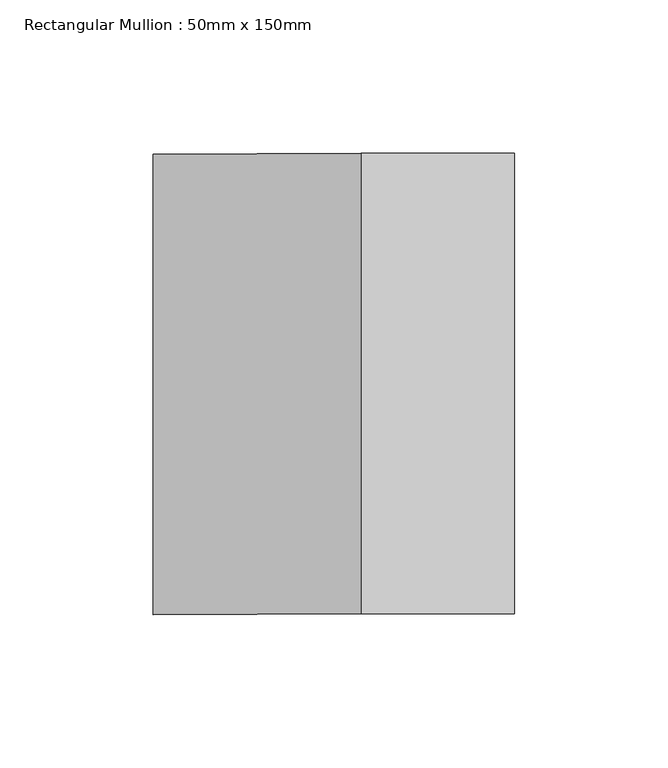
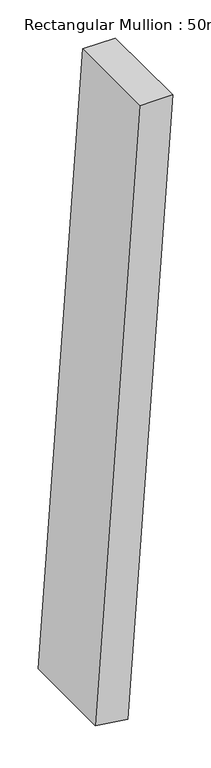
"""IFC4 building model written with IfcOpenShell, lengths in millimetres: member geometry, Rectangular Mullion : 50mm x 150mm."""

import ifcopenshell
import ifcopenshell.guid

model = None  # the IFC model being written
_history = None  # IfcOwnerHistory: only IFC2X3 demands one
_inside = {}  # id of a spatial element -> (the spatial element, [elements in it])
_under = {}  # id of a project, library or spatial element -> (it, [spatial elements below it])
_declared = {}  # id of a project -> (the project, [libraries it declares])
_typed = {}  # id of a type object -> (the type object, [elements of that type])
_made_of = {}  # id of a material, layer set ... -> (it, [elements and type objects made of it])


def new_model(schema):
    """Start an empty IFC model of exactly this schema.

    Asked for "IFC4X3", IfcOpenShell would pick the latest addendum, in which some entities
    have other attributes; the version numbers below select the first issue.
    IFC2X3 requires an IfcOwnerHistory on every rooted entity: one is made here for all.
    """
    global model, _history
    if schema == "IFC4X3":
        model = ifcopenshell.file(schema_version=(4, 3, 0, 0))
    else:
        model = ifcopenshell.file(schema=schema)
    _inside.clear()
    _under.clear()
    _declared.clear()
    _typed.clear()
    _made_of.clear()
    _history = None
    if model.schema == "IFC2X3":
        org = make("IfcOrganization", Name="unknown")
        user = make(
            "IfcPersonAndOrganization",
            ThePerson=make("IfcPerson", FamilyName="unknown"),
            TheOrganization=org,
        )
        app = make(
            "IfcApplication",
            ApplicationDeveloper=org,
            Version="unknown",
            ApplicationFullName="unknown",
            ApplicationIdentifier="unknown",
        )
        _history = make(
            "IfcOwnerHistory",
            OwningUser=user,
            OwningApplication=app,
            ChangeAction="ADDED",
            CreationDate=0,
        )
    return model


def make(cls, **values):
    """One entity of the class cls with the attributes given. An attribute that is None is left unset."""
    return model.create_entity(
        cls, **{name: value for name, value in values.items() if value is not None}
    )


def rooted(cls, **values):
    """An entity with a GlobalId (a new one), such as an element, a storey or a relation."""
    return make(cls, GlobalId=ifcopenshell.guid.new(), OwnerHistory=_history, **values)


def si_unit(unit_type, name, prefix=None):
    """IfcSIUnit, for example si_unit("LENGTHUNIT", "METRE", prefix="MILLI")."""
    return make("IfcSIUnit", UnitType=unit_type, Prefix=prefix, Name=name)


def assignment(units):
    """IfcUnitAssignment: the units of a project."""
    return None if units is None else make("IfcUnitAssignment", Units=units)


def point(xyz):
    """IfcCartesianPoint."""
    return None if xyz is None else make("IfcCartesianPoint", Coordinates=xyz)


def direction(xyz):
    """IfcDirection."""
    return None if xyz is None else make("IfcDirection", DirectionRatios=xyz)


def frame(location, z_axis=None, x_axis=None):
    """IfcAxis2Placement3D, a coordinate frame: its origin and axes. An axis left out is left unset."""
    return make(
        "IfcAxis2Placement3D",
        Location=point(location),
        Axis=direction(z_axis),
        RefDirection=direction(x_axis),
    )


def frame_2d(location, x_axis=None):
    """IfcAxis2Placement2D, a coordinate frame in the plane: its origin and x axis."""
    return make(
        "IfcAxis2Placement2D", Location=point(location), RefDirection=direction(x_axis)
    )


def origin():
    """The frame at (0, 0, 0) with its axes left unset."""
    return frame((0.0, 0.0, 0.0))


def place(relative_to, where):
    """IfcLocalPlacement: puts the frame where relative to a parent placement (None: the world)."""
    return make(
        "IfcLocalPlacement", PlacementRelTo=relative_to, RelativePlacement=where
    )


def context(
    kind, dimensions, precision=None, world=None, true_north=None, identifier=None
):
    """IfcGeometricRepresentationContext, for example the 3D "Model" context."""
    return make(
        "IfcGeometricRepresentationContext",
        ContextIdentifier=identifier,
        ContextType=kind,
        CoordinateSpaceDimension=dimensions,
        Precision=precision,
        WorldCoordinateSystem=world,
        TrueNorth=true_north,
    )


def project(units=None, contexts=None):
    """IfcProject with its units and contexts."""
    return rooted(
        "IfcProject",
        Name="project",
        RepresentationContexts=contexts,
        UnitsInContext=assignment(units),
    )


def spatial(cls, under=None, at=None, **own):
    """A site, building, storey or space (cls), placed at a placement, below another one or the project."""
    s = rooted(cls, ObjectPlacement=at, **own)
    if under is not None:
        _under.setdefault(under.id(), (under, []))[1].append(s)
    return s


def polyline(points):
    """IfcPolyline through the points."""
    return make("IfcPolyline", Points=[point(p) for p in points])


def circle_curve(where, radius):
    """IfcCircle in the frame where."""
    return make("IfcCircle", Position=where, Radius=radius)


def trimmed(basis, trim1, trim2, sense, master):
    """IfcTrimmedCurve: the piece of a basis curve between two trims."""
    return make(
        "IfcTrimmedCurve",
        BasisCurve=basis,
        Trim1=trim1,
        Trim2=trim2,
        SenseAgreement=sense,
        MasterRepresentation=master,
    )


def segment(curve, same_sense, transition):
    """IfcCompositeCurveSegment."""
    return make(
        "IfcCompositeCurveSegment",
        Transition=transition,
        SameSense=same_sense,
        ParentCurve=curve,
    )


def composite_curve(segments, self_intersect=None):
    """IfcCompositeCurve: segments joined end to end."""
    return make("IfcCompositeCurve", Segments=segments, SelfIntersect=self_intersect)


def outline(outer, holes=None, kind="AREA"):
    """IfcArbitraryClosedProfileDef: a profile drawn as a closed curve; with holes, ...WithVoids."""
    if holes is None:
        return make("IfcArbitraryClosedProfileDef", ProfileType=kind, OuterCurve=outer)
    return make(
        "IfcArbitraryProfileDefWithVoids",
        ProfileType=kind,
        OuterCurve=outer,
        InnerCurves=holes,
    )


def extrude(swept, where, along, depth):
    """IfcExtrudedAreaSolid: the profile swept, set in the frame where, extruded along a direction by depth."""
    return make(
        "IfcExtrudedAreaSolid",
        SweptArea=swept,
        Position=where,
        ExtrudedDirection=direction(along),
        Depth=depth,
    )


def shape(context_of_items, identifier, shape_type, items):
    """IfcShapeRepresentation: the items that make up one representation, for example the "Body"."""
    return make(
        "IfcShapeRepresentation",
        ContextOfItems=context_of_items,
        RepresentationIdentifier=identifier,
        RepresentationType=shape_type,
        Items=items,
    )


def source(mapping_origin, context_of_items, identifier, shape_type, items):
    """IfcRepresentationMap: a shape defined once, which mapped items show again and again."""
    return make(
        "IfcRepresentationMap",
        MappingOrigin=mapping_origin,
        MappedRepresentation=shape(context_of_items, identifier, shape_type, items),
    )


def transform(
    local_origin,
    x_axis=None,
    y_axis=None,
    z_axis=None,
    scale=None,
    scale2=None,
    scale3=None,
    uniform=True,
):
    """IfcCartesianTransformationOperator3D, or its non-uniform kind. x_axis, y_axis, z_axis: its Axis1, 2, 3."""
    if uniform:
        return make(
            "IfcCartesianTransformationOperator3D",
            Axis1=direction(x_axis),
            Axis2=direction(y_axis),
            LocalOrigin=point(local_origin),
            Scale=scale,
            Axis3=direction(z_axis),
        )
    return make(
        "IfcCartesianTransformationOperator3DnonUniform",
        Axis1=direction(x_axis),
        Axis2=direction(y_axis),
        LocalOrigin=point(local_origin),
        Scale=scale,
        Axis3=direction(z_axis),
        Scale2=scale2,
        Scale3=scale3,
    )


def mapped(mapping_source, mapping_target):
    """IfcMappedItem: shows the shape of a source again, moved by a transform."""
    return make(
        "IfcMappedItem", MappingSource=mapping_source, MappingTarget=mapping_target
    )


def made_of(thing, what):
    """Note that an element or type object is made of a material, layer set ...; save() writes the relation."""
    if what is not None:
        _made_of.setdefault(what.id(), (what, []))[1].append(thing)
    return thing


def element(
    cls,
    number,
    at=None,
    inside=None,
    cuts=None,
    type_object=None,
    material=None,
    context=None,
    identifier="Body",
    shape_type=None,
    held_by="IfcProductDefinitionShape",
    body=None,
    shapes=None,
    **own,
):
    """One element of the class cls, such as IfcWall. Its Tag is "e" and its number.

    at: its placement. inside: the storey or other place that contains it. cuts: it is an
    opening in that element (IfcRelVoidsElement). A single representation is given by context,
    identifier, shape_type and body (its items); several are given by shapes. held_by: the class
    of the entity that holds the representations. save() writes the other relations.
    """
    e = rooted(cls, Tag="e%d" % number, ObjectPlacement=at, **own)
    if body is not None:
        shapes = [shape(context, identifier, shape_type, body)]
    if shapes is not None:
        e.Representation = make(held_by, Representations=shapes)
    if inside is not None:
        _inside.setdefault(inside.id(), (inside, []))[1].append(e)
    if cuts is not None:
        rooted(
            "IfcRelVoidsElement", RelatingBuildingElement=cuts, RelatedOpeningElement=e
        )
    if type_object is not None:
        _typed.setdefault(type_object.id(), (type_object, []))[1].append(e)
    return made_of(e, material)


def aggregate(whole, parts):
    """IfcRelAggregates: a whole, such as a stair, and the parts it consists of."""
    return rooted("IfcRelAggregates", RelatingObject=whole, RelatedObjects=parts)


def save(model, path):
    """Write the relations noted so far, then the file.

    IfcRelAggregates (storeys below a building ...), IfcRelContainedInSpatialStructure (elements
    in a storey), IfcRelDefinesByType, IfcRelAssociatesMaterial and IfcRelDeclares: one each for
    every whole, place, type object, material and project.
    """
    for whole, parts in _under.values():
        aggregate(whole, parts)
    for where, things in _inside.values():
        rooted(
            "IfcRelContainedInSpatialStructure",
            RelatedElements=things,
            RelatingStructure=where,
        )
    for kind, things in _typed.values():
        rooted("IfcRelDefinesByType", RelatedObjects=things, RelatingType=kind)
    for what, things in _made_of.values():
        rooted("IfcRelAssociatesMaterial", RelatedObjects=things, RelatingMaterial=what)
    for by, libraries in _declared.values():
        rooted("IfcRelDeclares", RelatingContext=by, RelatedDefinitions=libraries)
    model.write(path)


def rectangular_mullion_50mm_x_150mm_74cdef2f(model_context):
    return source(origin(), model_context, "Body", "SweptSolid", [
        extrude(outline(composite_curve([segment(trimmed(circle_curve(frame_2d((0.0, -7065.3700225)), 7065.3700225), [point((-978.4609622, -68.0799971))], [point((0.0, 0.0))], False, "CARTESIAN"), True, "CONTINUOUS"), segment(polyline([(0.0, 0.0), (0.0, -50.0)]), True, "CONTINUOUS"), segment(trimmed(circle_curve(frame_2d((0.0, -7065.3700225)), 7015.3700225), [point((0.0, -50.0))], [point((-971.5366189, -117.5982106))], True, "CARTESIAN"), True, "CONTINUOUS"), segment(polyline([(-971.5366189, -117.5982106), (-978.4609622, -68.0799971)]), True, "CONTINUOUS")], self_intersect=False)), frame((0.0, -75.0, 0.0), z_axis=(0.0, 1.0, 0.0), x_axis=(0.0, 0.0, 1.0)), (0.0, 0.0, 1.0), 150.0),
    ])


if __name__ == "__main__":
    model = new_model("IFC4")
    model_context = context("Model", 3, world=origin())
    ifc_project = project(units=[si_unit("LENGTHUNIT", "METRE", prefix="MILLI")], contexts=[model_context])
    site = spatial("IfcSite", under=ifc_project)
    building = spatial("IfcBuilding", under=site)
    placement = place(None, origin())
    rectangular_mullion_50mm_x_150mm_shape = rectangular_mullion_50mm_x_150mm_74cdef2f(model_context)
    element("IfcMember", 1, ObjectType="Rectangular Mullion : 50mm x 150mm", at=placement, inside=building, context=model_context, shape_type="MappedRepresentation", body=[
        mapped(rectangular_mullion_50mm_x_150mm_shape, transform((0.0, 0.0, 0.0), x_axis=(1.0, 0.0, 0.0), y_axis=(0.0, 1.0, 0.0), z_axis=(0.0, 0.0, 1.0))),
    ])
    save(model, "model.ifc")
